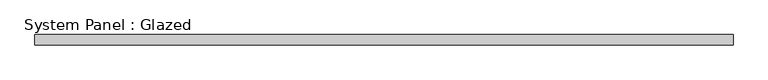
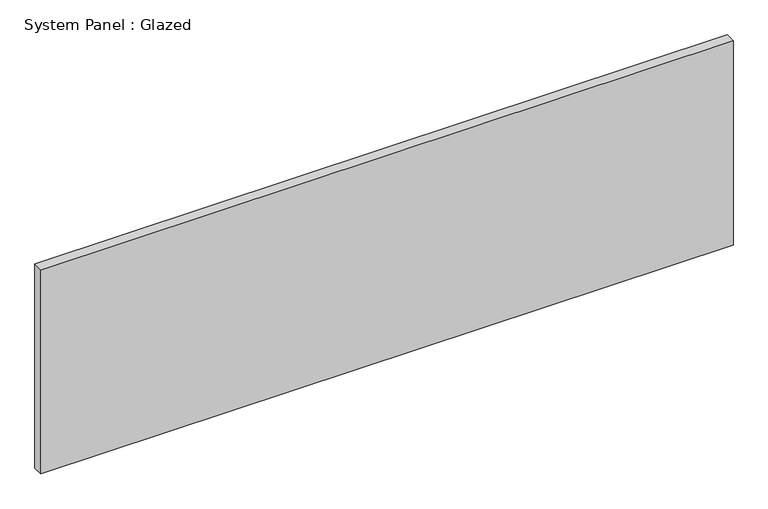
"""IFC4 building model written with IfcOpenShell, lengths in millimetres: plate geometry, System Panel : Glazed."""

from ifc_helpers import new_model, si_unit, origin, origin_with_axes, place, context, project, spatial, polyline, outline, extrude, source, transform, mapped, element, save


def system_panel_glazed_e499a7a1(model_context):
    return source(origin(), model_context, "Body", "SweptSolid", [
        extrude(outline(polyline([(864.6583333, -12.7), (-864.6583333, -12.7), (-864.6583333, 12.7), (864.6583333, 12.7), (864.6583333, -12.7)])), origin_with_axes(), (0.0, 0.0, 1.0), 539.75),
    ])


if __name__ == "__main__":
    model = new_model("IFC4")
    model_context = context("Model", 3, world=origin())
    ifc_project = project(units=[si_unit("LENGTHUNIT", "METRE", prefix="MILLI")], contexts=[model_context])
    site = spatial("IfcSite", under=ifc_project)
    building = spatial("IfcBuilding", under=site)
    placement = place(None, origin())
    system_panel_glazed_shape = system_panel_glazed_e499a7a1(model_context)
    element("IfcPlate", 1, ObjectType="System Panel : Glazed", at=placement, inside=building, context=model_context, shape_type="MappedRepresentation", body=[
        mapped(system_panel_glazed_shape, transform((0.0, 0.0, 0.0), x_axis=(1.0, 0.0, 0.0), y_axis=(0.0, 1.0, 0.0), z_axis=(0.0, 0.0, 1.0))),
    ])
    save(model, "model.ifc")
